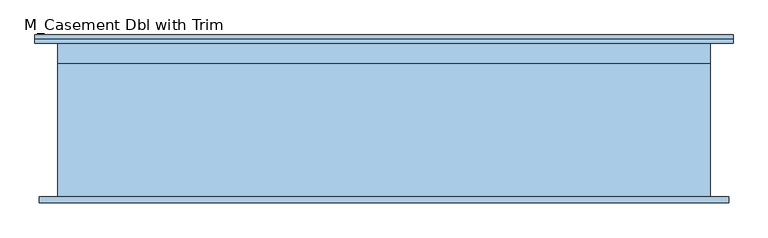
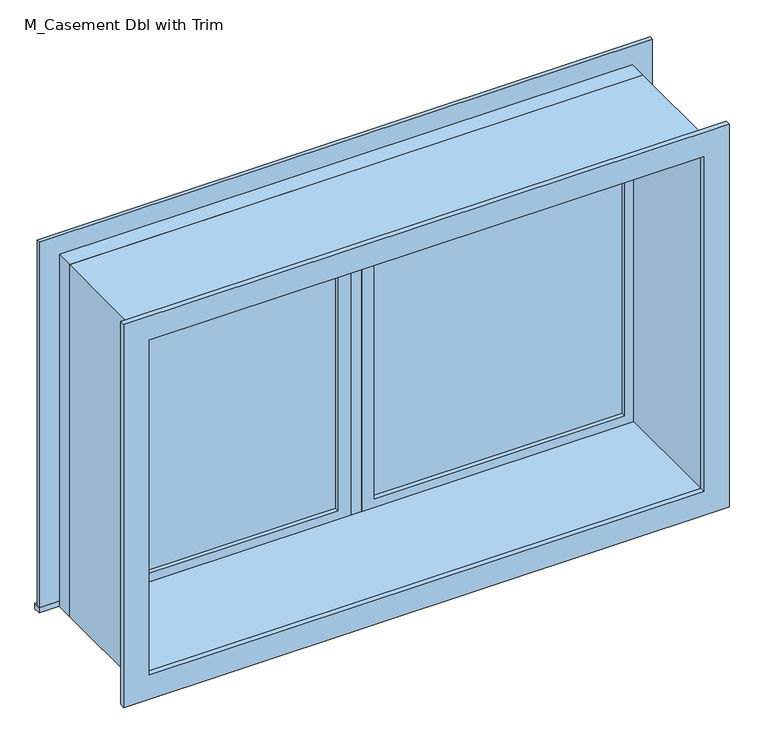
"""IFC4 building model written with IfcOpenShell, lengths in millimetres: window geometry, M_Casement Dbl with Trim."""

from ifc_helpers import new_model, si_unit, frame, origin, place, context, project, spatial, polyline, outline, extrude, source, transform, mapped, element, save


def m_casement_dbl_with_trim_8eed7465(model_context):
    return source(origin(), model_context, "Body", "SweptSolid", [
        extrude(outline(polyline([(63.5, 219.175), (936.5, 219.175), (936.5, 206.475), (63.5, 206.475), (63.5, 219.175)])), frame((0.0, 0.0, 978.5), z_axis=(0.0, 0.0, 1.0), x_axis=(1.0, 0.0, 0.0)), (0.0, 0.0, 1.0), 1173.0),
        extrude(outline(polyline([(2195.95, 19.05), (934.05, 19.05), (934.05, 980.95), (2195.95, 980.95), (2195.95, 19.05)]), holes=[polyline([(2151.5, 63.5), (2151.5, 936.5), (978.5, 936.5), (978.5, 63.5), (2151.5, 63.5)])]), frame((0.0, 190.6, 0.0), z_axis=(0.0, 1.0, 0.0), x_axis=(0.0, 0.0, 1.0)), (0.0, 0.0, 1.0), 44.45),
        extrude(outline(polyline([(-1069.95, 279.75), (1069.95, 279.75), (1069.95, 254.05), (-1069.95, 254.05), (-1069.95, 279.75)])), frame((0.0, 0.0, 915.0), z_axis=(0.0, 0.0, 1.0), x_axis=(1.0, 0.0, 0.0)), (0.0, 0.0, 1.0), 19.05),
        extrude(outline(polyline([(2195.95, -980.95), (2195.95, 980.95), (934.05, 980.95), (934.05, 1069.95), (2284.95, 1069.95), (2284.95, -1069.95), (934.05, -1069.95), (934.05, -980.95), (2195.95, -980.95)])), frame((0.0, 254.05, 0.0), z_axis=(0.0, 1.0, 0.0), x_axis=(0.0, 0.0, 1.0)), (0.0, 0.0, 1.0), 13.0),
        extrude(outline(polyline([(2272.25, 1057.25), (2272.25, -1057.25), (857.75, -1057.25), (857.75, 1057.25), (2272.25, 1057.25)]), holes=[polyline([(2183.25, 968.25), (946.75, 968.25), (946.75, -968.25), (2183.25, -968.25), (2183.25, 968.25)])]), frame((0.0, -234.95, 0.0), z_axis=(0.0, 1.0, 0.0), x_axis=(0.0, 0.0, 1.0)), (0.0, 0.0, 1.0), 19.0),
        extrude(outline(polyline([(-63.5, 206.475), (-936.5, 206.475), (-936.5, 219.175), (-63.5, 219.175), (-63.5, 206.475)])), frame((0.0, 0.0, 978.5), z_axis=(0.0, 0.0, 1.0), x_axis=(1.0, 0.0, 0.0)), (0.0, 0.0, 1.0), 1173.0),
        extrude(outline(polyline([(2195.95, -980.95), (934.05, -980.95), (934.05, -19.05), (2195.95, -19.05), (2195.95, -980.95)]), holes=[polyline([(2151.5, -936.5), (2151.5, -63.5), (978.5, -63.5), (978.5, -936.5), (2151.5, -936.5)])]), frame((0.0, 190.6, 0.0), z_axis=(0.0, 1.0, 0.0), x_axis=(0.0, 0.0, 1.0)), (0.0, 0.0, 1.0), 44.45),
        extrude(outline(polyline([(2215.0, -1000.0), (915.0, -1000.0), (915.0, 1000.0), (2215.0, 1000.0), (2215.0, -1000.0)]), holes=[polyline([(2183.25, -968.25), (2183.25, 968.25), (946.75, 968.25), (946.75, -968.25), (2183.25, -968.25)])]), frame((0.0, -215.95, 0.0), z_axis=(0.0, 1.0, 0.0), x_axis=(0.0, 0.0, 1.0)), (0.0, 0.0, 1.0), 406.55),
        extrude(outline(polyline([(2215.0, 1000.0), (2215.0, -1000.0), (915.0, -1000.0), (915.0, 1000.0), (2215.0, 1000.0)]), holes=[polyline([(2195.95, 980.95), (934.05, 980.95), (934.05, -980.95), (2195.95, -980.95), (2195.95, 980.95)])]), frame((0.0, 190.6, 0.0), z_axis=(0.0, 1.0, 0.0), x_axis=(0.0, 0.0, 1.0)), (0.0, 0.0, 1.0), 63.45),
        extrude(outline(polyline([(19.05, 190.6), (-19.05, 190.6), (-19.05, 254.1), (19.05, 254.1), (19.05, 190.6)])), frame((0.0, 0.0, 934.05), z_axis=(0.0, 0.0, 1.0), x_axis=(1.0, 0.0, 0.0)), (0.0, 0.0, 1.0), 1261.9),
    ])


if __name__ == "__main__":
    model = new_model("IFC4")
    model_context = context("Model", 3, world=origin())
    ifc_project = project(units=[si_unit("LENGTHUNIT", "METRE", prefix="MILLI")], contexts=[model_context])
    site = spatial("IfcSite", under=ifc_project)
    building = spatial("IfcBuilding", under=site)
    placement = place(None, origin())
    m_casement_dbl_with_trim_shape = m_casement_dbl_with_trim_8eed7465(model_context)
    element("IfcWindow", 1, ObjectType="M_Casement Dbl with Trim", at=placement, inside=building, context=model_context, shape_type="MappedRepresentation", body=[
        mapped(m_casement_dbl_with_trim_shape, transform((0.0, 0.0, 0.0), x_axis=(1.0, 0.0, 0.0), y_axis=(0.0, 1.0, 0.0), z_axis=(0.0, 0.0, 1.0))),
    ])
    save(model, "model.ifc")
